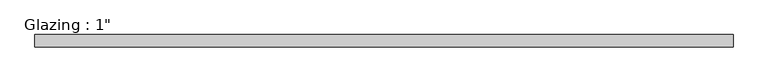
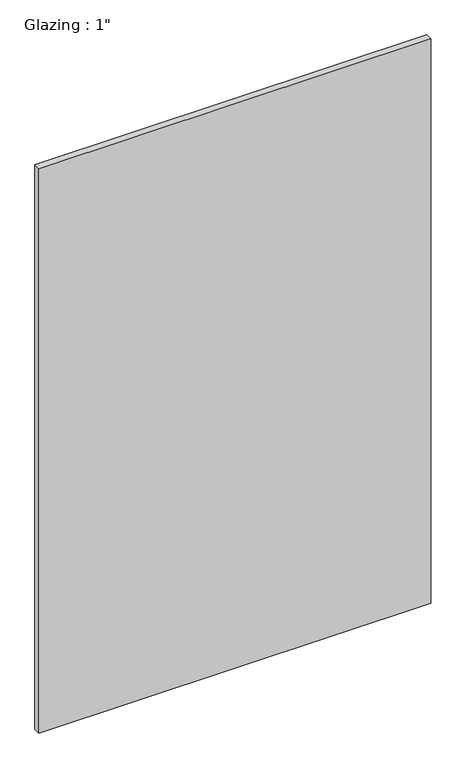
"""IFC4 building model written with IfcOpenShell, lengths in millimetres: plate geometry."""

from ifc_helpers import new_model, si_unit, origin, origin_with_axes, place, context, project, spatial, polyline, outline, extrude, source, transform, mapped, element, save


def plate_32e28413(model_context):
    return source(origin(), model_context, "Body", "SweptSolid", [
        extrude(outline(polyline([(715.4631955, -12.7), (-715.4631955, -12.7), (-715.4631955, 12.7), (715.4631955, 12.7), (715.4631955, -12.7)])), origin_with_axes(), (0.0, 0.0, 1.0), 2177.9424222),
    ])


if __name__ == "__main__":
    model = new_model("IFC4")
    model_context = context("Model", 3, world=origin())
    ifc_project = project(units=[si_unit("LENGTHUNIT", "METRE", prefix="MILLI")], contexts=[model_context])
    site = spatial("IfcSite", under=ifc_project)
    building = spatial("IfcBuilding", under=site)
    placement = place(None, origin())
    plate_shape = plate_32e28413(model_context)
    element("IfcPlate", 1, ObjectType="Glazing : 1\"", at=placement, inside=building, context=model_context, shape_type="MappedRepresentation", body=[
        mapped(plate_shape, transform((0.0, 0.0, 0.0), x_axis=(1.0, 0.0, 0.0), y_axis=(0.0, 1.0, 0.0), z_axis=(0.0, 0.0, 1.0))),
    ])
    save(model, "model.ifc")
